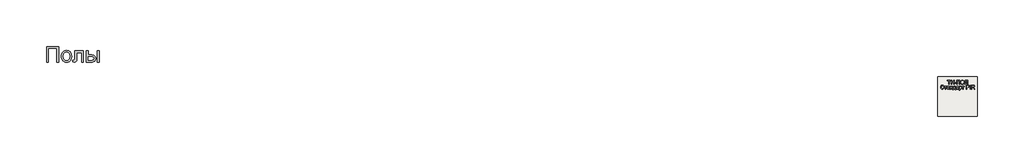
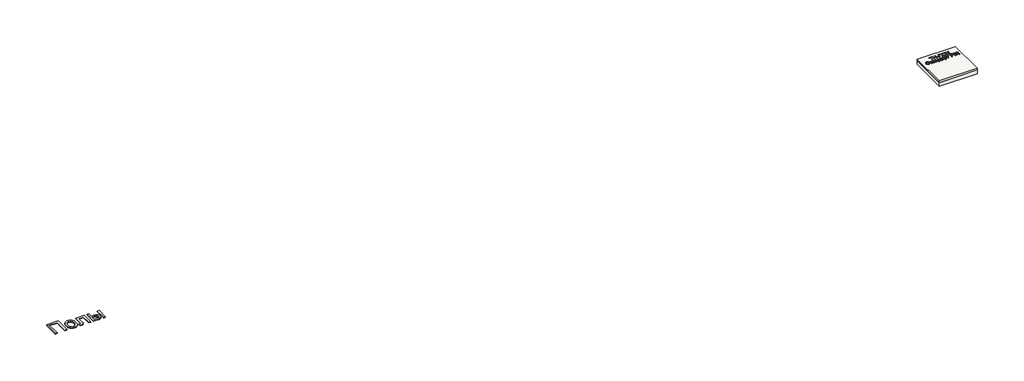
# One storey: 2 proxies, 2 slabs.
"""IFC4 building model written with IfcOpenShell, lengths in millimetres."""

from ifc_helpers import new_model, si_unit, frame, origin, origin_with_axes, place, context, project, spatial, polyline, outline, extrude, element, save

model = new_model("IFC4")

# Units and contexts
model_context = context("Model", 3, world=origin())
ifc_project = project(units=[si_unit("LENGTHUNIT", "METRE", prefix="MILLI")], contexts=[model_context])

# Site, building, storey
site = spatial("IfcSite", under=ifc_project)
building = spatial("IfcBuilding", under=site)
storey = spatial("IfcBuildingStorey", under=building, Elevation=0.0)

# Proxies
placement = place(None, origin())
element("IfcBuildingElementProxy", 1, Name="Generic Models", at=placement, inside=storey, context=model_context, shape_type="SweptSolid", body=[
    extrude(outline(polyline([(-2221.4493901, -14787.7817103), (-1609.328178, -14787.7817103), (-1609.328178, -15571.2968619), (-1707.2675719, -15571.2968619), (-1707.2675719, -14885.7211043), (-2123.5099961, -14885.7211043), (-2123.5099961, -15571.2968619), (-2221.4493901, -15571.2968619), (-2221.4493901, -14787.7817103)])), origin_with_axes(), (0.0, 0.0, 1.0), 40.0),
    extrude(outline(polyline([(-1474.6615113, -15283.5998922), (-1469.3652282, -15209.0813079), (-1462.7448742, -15175.6866287), (-1453.4763787, -15144.8683581), (-1441.5597416, -15116.6264961), (-1426.994963, -15090.9610427), (-1409.7820428, -15067.871998), (-1389.920981, -15047.3593619), (-1352.5959336, -15019.491109), (-1311.3973068, -14999.5852141), (-1266.3251003, -14987.6416772), (-1217.3793143, -14983.6604982), (-1163.3464663, -14988.5084504), (-1114.4903465, -15003.0523069), (-1070.810955, -15027.2920678), (-1032.3082916, -15061.2277331), (-1000.8832798, -15103.7115754), (-978.4368427, -15153.5958675), (-964.9689805, -15210.8806095), (-960.4796931, -15275.5658013), (-962.4643049, -15327.9906355), (-968.4181401, -15374.5094566), (-978.3411988, -15415.1222643), (-992.233481, -15449.8290588), (-1009.921632, -15479.8074561), (-1031.2322973, -15506.2350721), (-1056.1654767, -15529.1119068), (-1084.7211704, -15548.4379603), (-1115.7875175, -15563.7947904), (-1148.2526571, -15574.7639547), (-1182.1165894, -15581.3454532), (-1217.3793143, -15583.5392861), (-1272.2012248, -15578.7092672), (-1321.5116533, -15564.2192103), (-1365.3105998, -15540.0691156), (-1403.5980643, -15506.2589831), (-1434.6883224, -15463.3626763), (-1456.8956496, -15411.9540588), (-1470.2200459, -15352.0331308), (-1474.6615113, -15283.5998922)]), holes=[polyline([(-1376.7221174, -15283.4086043), (-1373.8886657, -15330.9137534), (-1365.3883105, -15372.0466251), (-1351.221052, -15406.8072193), (-1331.3868901, -15435.1955361), (-1307.2607064, -15457.2474419), (-1280.2173825, -15472.9988031), (-1250.2569185, -15482.4496199), (-1217.3793143, -15485.5998922), (-1184.6690871, -15482.4316867), (-1154.828178, -15472.9270702), (-1127.8565871, -15457.0860427), (-1103.7543143, -15434.9086043), (-1083.9201524, -15406.2393335), (-1069.7528939, -15370.9228088), (-1061.2525388, -15328.9590304), (-1058.4190871, -15280.3479982), (-1061.270472, -15234.3492411), (-1069.8246268, -15194.2923638), (-1084.0815515, -15160.1773661), (-1104.0412461, -15132.0042482), (-1128.2331851, -15109.9523424), (-1155.1868427, -15094.2009812), (-1184.9022192, -15084.7501644), (-1217.3793143, -15081.5998922), (-1250.2569185, -15084.7382089), (-1280.2173825, -15094.1531592), (-1307.2607064, -15109.844743), (-1331.3868901, -15131.8129603), (-1351.221052, -15160.1175887), (-1365.3883105, -15194.8184054), (-1373.8886657, -15235.9154106), (-1376.7221174, -15283.4086043)])]), origin_with_axes(), (0.0, 0.0, 1.0), 40.0),
    extrude(outline(polyline([(-801.328178, -14995.9029225), (-360.6009052, -14995.9029225), (-360.6009052, -15570.7229982), (-458.5402992, -15570.7229982), (-458.5402992, -15093.8423164), (-703.388784, -15093.8423164), (-703.388784, -15368.3404225), (-705.038642, -15448.011824), (-709.9882158, -15494.9729982), (-722.350195, -15523.6422691), (-746.2372689, -15548.4379603), (-762.7119374, -15558.4387298), (-782.4863219, -15565.5821365), (-805.5604223, -15569.8681805), (-831.9342386, -15571.2968619), (-911.5099961, -15566.323377), (-911.5099961, -15473.3574679), (-867.7050719, -15473.3574679), (-841.1399677, -15471.8510759), (-823.421928, -15467.3318997), (-812.351142, -15459.5369187), (-805.7277992, -15448.2031119), (-802.4280833, -15420.2989925), (-801.328178, -15362.793074), (-801.328178, -14995.9029225)])), origin_with_axes(), (0.0, 0.0, 1.0), 40.0),
    extrude(outline(polyline([(-213.6918143, -14995.9029225), (-115.7524204, -14995.9029225), (-115.7524204, -15204.0241346), (5.3328069, -15204.0241346), (61.0513793, -15207.0907184), (109.9911876, -15216.2904698), (152.1522316, -15231.6233888), (187.5345114, -15253.0894755), (215.5282969, -15279.9474892), (235.523858, -15311.4561895), (247.5211947, -15347.6155763), (251.5203069, -15388.4256497), (248.1667913, -15424.8361019), (238.1062444, -15458.5087463), (221.3386663, -15489.443583), (197.8640569, -15517.6406119), (167.0248642, -15541.1152212), (128.1635361, -15557.8827994), (81.2800725, -15567.9433462), (26.3744736, -15571.2968619), (-213.6918143, -15571.2968619), (-213.6918143, -14995.9029225)]), holes=[polyline([(-115.7524204, -15473.3574679), (-15.1349961, -15473.3574679), (62.8626364, -15468.2166062), (92.0699044, -15461.790529), (114.7494736, -15452.794021), (131.7382283, -15441.0716606), (143.8730531, -15426.4680266), (151.153948, -15408.983119), (153.5809129, -15388.6169376), (151.7816113, -15372.1542245), (146.3837065, -15356.6240399), (137.3871985, -15342.0263836), (124.7920872, -15328.3612558), (106.0518528, -15316.8122501), (78.6199754, -15308.5629603), (42.4964551, -15303.6133865), (-2.3187083, -15301.9635285), (-115.7524204, -15301.9635285), (-115.7524204, -15473.3574679)])]), origin_with_axes(), (0.0, 0.0, 1.0), 40.0),
    extrude(outline(polyline([(324.9748523, -14995.9029225), (422.9142463, -14995.9029225), (422.9142463, -15571.2968619), (324.9748523, -15571.2968619), (324.9748523, -14995.9029225)])), origin_with_axes(), (0.0, 0.0, 1.0), 40.0),
])
element("IfcBuildingElementProxy", 2, Name="Generic Models", at=placement, inside=storey, context=model_context, shape_type="SweptSolid", body=[
    extrude(outline(polyline([(43256.8186644, -16688.792124), (43256.8186644, -16516.4844317), (43192.2032798, -16516.4844317), (43192.2032798, -16491.8690471), (43346.0494336, -16491.8690471), (43346.0494336, -16516.4844317), (43281.434049, -16516.4844317), (43281.434049, -16688.792124), (43256.8186644, -16688.792124)])), origin_with_axes(), (0.0, 0.0, 1.0), 20.0),
    extrude(outline(polyline([(43373.7417413, -16688.792124), (43373.7417413, -16491.8690471), (43398.3571259, -16491.8690471), (43398.3571259, -16571.8690471), (43502.9725106, -16571.8690471), (43502.9725106, -16491.8690471), (43527.5878952, -16491.8690471), (43527.5878952, -16688.792124), (43502.9725106, -16688.792124), (43502.9725106, -16596.4844317), (43398.3571259, -16596.4844317), (43398.3571259, -16688.792124), (43373.7417413, -16688.792124)])), origin_with_axes(), (0.0, 0.0, 1.0), 20.0),
    extrude(outline(polyline([(43555.2802029, -16630.3305856), (43555.2802029, -16605.7152009), (43632.2032798, -16605.7152009), (43632.2032798, -16630.3305856), (43555.2802029, -16630.3305856)])), origin_with_axes(), (0.0, 0.0, 1.0), 20.0),
    extrude(outline(polyline([(43662.9725106, -16491.8690471), (43816.8186644, -16491.8690471), (43816.8186644, -16688.792124), (43792.2032798, -16688.792124), (43792.2032798, -16516.4844317), (43687.5878952, -16516.4844317), (43687.5878952, -16688.792124), (43662.9725106, -16688.792124), (43662.9725106, -16491.8690471)])), origin_with_axes(), (0.0, 0.0, 1.0), 20.0),
    extrude(outline(polyline([(43850.6648182, -16592.9267394), (43852.3054432, -16569.8287827), (43857.2273182, -16549.3810663), (43865.4304432, -16531.5835904), (43876.9148182, -16516.4363548), (43890.9923423, -16504.3420038), (43906.9749144, -16495.7031817), (43924.8625346, -16490.5198884), (43944.6552029, -16488.792124), (43970.4845298, -16492.0373163), (43993.6455875, -16501.7728932), (44012.8763567, -16517.3137586), (44026.9148182, -16537.9748163), (44035.496549, -16562.7584702), (44038.3571259, -16590.667124), (44035.3463086, -16618.948374), (44026.3138567, -16644.0805856), (44011.7585682, -16664.7777009), (43992.1792413, -16679.7536625), (43969.2165009, -16688.8402009), (43944.5109721, -16691.8690471), (43918.2850106, -16688.5216913), (43894.9917413, -16678.479624), (43875.809049, -16662.6502971), (43861.9148182, -16641.9411625), (43853.4773182, -16618.1130375), (43850.6648182, -16592.9267394)]), holes=[polyline([(43875.2802029, -16593.167124), (43880.2020779, -16623.9724125), (43894.9677029, -16647.4459702), (43917.1612125, -16662.3017394), (43944.3667413, -16667.2536625), (43971.9689048, -16662.2536625), (43994.1984721, -16647.2536625), (44002.7486524, -16636.2049846), (44008.855924, -16623.0589509), (44013.7417413, -16590.4748163), (44011.6503952, -16568.6839509), (44005.3763567, -16549.8498163), (43995.0818856, -16534.4471721), (43980.9292413, -16522.9507779), (43963.855924, -16515.7933259), (43944.7994336, -16513.4075086), (43918.3210682, -16518.0048644), (43895.809049, -16531.7969317), (43886.8276788, -16542.5286024), (43880.4124144, -16556.3341913), (43875.2802029, -16593.167124)])]), origin_with_axes(), (0.0, 0.0, 1.0), 20.0),
    extrude(outline(polyline([(44087.5878952, -16491.8690471), (44207.5878952, -16491.8690471), (44207.5878952, -16688.792124), (44182.9725106, -16688.792124), (44182.9725106, -16516.4844317), (44112.2032798, -16516.4844317), (44112.2032798, -16616.9652009), (44109.3427029, -16661.7969317), (44104.9136163, -16674.4652009), (44097.3475106, -16683.9603932), (44086.9869336, -16689.8918836), (44074.1744336, -16691.8690471), (44053.7417413, -16688.792124), (44056.8186644, -16664.1767394), (44068.5975106, -16667.2536625), (44076.9208279, -16665.6010182), (44082.8523182, -16660.6430856), (44086.4040009, -16649.5553452), (44087.5878952, -16629.5132779), (44087.5878952, -16491.8690471)])), origin_with_axes(), (0.0, 0.0, 1.0), 20.0),
    extrude(outline(polyline([(42995.2802029, -16861.8690471), (43019.8955875, -16868.2152009), (43008.5374144, -16896.8990952), (42990.7128952, -16917.854624), (42967.2994336, -16930.6731336), (42939.1744336, -16934.9459702), (42910.6227509, -16931.7127971), (42887.9484721, -16922.0132779), (42870.5686644, -16906.1839509), (42857.9003952, -16884.5613548), (42850.1660202, -16859.1406817), (42847.5878952, -16831.917124), (42850.5025586, -16803.2031817), (42859.246549, -16778.4075086), (42873.3631356, -16758.3173644), (42892.3955875, -16743.7200086), (42914.9677029, -16734.8317875), (42939.7032798, -16731.8690471), (42966.6924625, -16735.7031817), (42989.0061644, -16747.2055856), (43005.9472702, -16765.667124), (43016.8186644, -16790.3786625), (42992.2032798, -16796.2440471), (42983.6696259, -16778.2933259), (42972.0109721, -16765.979624), (42957.0830875, -16758.8582298), (42938.7417413, -16756.4844317), (42917.5999144, -16759.1166432), (42900.2321259, -16767.0132779), (42887.0530394, -16779.3450086), (42878.4773182, -16795.2825086), (42873.7717894, -16813.2993356), (42872.2032798, -16831.8690471), (42874.0602509, -16854.6094317), (42879.6311644, -16874.2728932), (42889.1263567, -16890.1082298), (42902.7561644, -16901.3642394), (42919.0963086, -16908.088999), (42936.7225106, -16910.3305856), (42957.2693856, -16907.2777009), (42974.3907798, -16898.1190471), (42987.3174625, -16882.9507779), (42995.2802029, -16861.8690471)])), origin_with_axes(), (0.0, 0.0, 1.0), 20.0),
    extrude(outline(polyline([(43038.3571259, -16787.2536625), (43155.2802029, -16787.2536625), (43155.2802029, -16811.8690471), (43109.1263567, -16811.8690471), (43109.1263567, -16931.8690471), (43084.5109721, -16931.8690471), (43084.5109721, -16811.8690471), (43038.3571259, -16811.8690471), (43038.3571259, -16787.2536625)])), origin_with_axes(), (0.0, 0.0, 1.0), 20.0),
    extrude(outline(polyline([(43269.1263567, -16913.4075086), (43245.2561644, -16930.0902009), (43218.8859721, -16934.9459702), (43198.3150586, -16932.0252971), (43183.1407798, -16923.2632779), (43173.7838086, -16909.9579894), (43170.6648182, -16893.4075086), (43175.3763567, -16873.9363548), (43187.7561644, -16859.8017394), (43204.9917413, -16851.7248163), (43226.2898182, -16848.0228932), (43268.9821259, -16839.5613548), (43269.1263567, -16834.0805856), (43267.4316452, -16823.0950086), (43262.3475106, -16815.9075086), (43250.9773182, -16810.5709702), (43235.1359721, -16808.792124), (43210.2321259, -16813.5277009), (43203.2489529, -16820.0962106), (43198.3571259, -16830.3305856), (43173.7417413, -16827.2536625), (43184.3907798, -16803.2152009), (43193.465299, -16795.1262586), (43205.8330875, -16789.1286625), (43238.309049, -16784.1767394), (43268.1407798, -16788.5517394), (43284.9917413, -16799.5373163), (43292.5398182, -16816.2440471), (43293.7417413, -16837.7825086), (43293.7417413, -16868.4075086), (43294.9917413, -16911.1719317), (43299.8955875, -16931.8690471), (43275.2802029, -16931.8690471), (43269.1263567, -16913.4075086)]), holes=[polyline([(43269.1263567, -16864.1767394), (43229.4148182, -16871.7248163), (43208.2369336, -16875.7152009), (43198.6455875, -16882.2055856), (43195.2802029, -16891.6767394), (43197.1131356, -16898.9964509), (43202.6119336, -16904.9940471), (43211.6564048, -16908.9964509), (43224.1263567, -16910.3305856), (43237.3475106, -16908.8582298), (43249.0302029, -16904.4411625), (43265.0878952, -16890.1863548), (43268.9821259, -16871.1478932), (43269.1263567, -16864.1767394)])]), origin_with_axes(), (0.0, 0.0, 1.0), 20.0),
    extrude(outline(polyline([(43327.5878952, -16787.2536625), (43352.2032798, -16787.2536625), (43352.2032798, -16842.6382779), (43416.8186644, -16842.6382779), (43416.8186644, -16787.2536625), (43441.434049, -16787.2536625), (43441.434049, -16931.8690471), (43416.8186644, -16931.8690471), (43416.8186644, -16867.2536625), (43352.2032798, -16867.2536625), (43352.2032798, -16931.8690471), (43327.5878952, -16931.8690471), (43327.5878952, -16787.2536625)])), origin_with_axes(), (0.0, 0.0, 1.0), 20.0),
    extrude(outline(polyline([(43499.8955875, -16787.2536625), (43592.2032798, -16787.2536625), (43592.2032798, -16907.2536625), (43610.6648182, -16907.2536625), (43610.6648182, -16971.8690471), (43586.0494336, -16971.8690471), (43586.0494336, -16931.8690471), (43484.5109721, -16931.8690471), (43484.5109721, -16971.8690471), (43459.8955875, -16971.8690471), (43459.8955875, -16907.2536625), (43475.2802029, -16907.2536625), (43486.4640971, -16887.0433259), (43494.2946259, -16860.3065471), (43498.7717894, -16827.0433259), (43499.8955875, -16787.2536625)]), holes=[polyline([(43521.434049, -16811.8690471), (43515.6648182, -16867.9507779), (43502.9725106, -16907.2536625), (43567.5878952, -16907.2536625), (43567.5878952, -16811.8690471), (43521.434049, -16811.8690471)])]), origin_with_axes(), (0.0, 0.0, 1.0), 20.0),
    extrude(outline(polyline([(43730.6648182, -16913.4075086), (43706.7946259, -16930.0902009), (43680.4244336, -16934.9459702), (43659.8535202, -16932.0252971), (43644.6792413, -16923.2632779), (43635.3222702, -16909.9579894), (43632.2032798, -16893.4075086), (43636.9148182, -16873.9363548), (43649.2946259, -16859.8017394), (43666.5302029, -16851.7248163), (43687.8282798, -16848.0228932), (43730.5205875, -16839.5613548), (43730.6648182, -16834.0805856), (43728.9701067, -16823.0950086), (43723.8859721, -16815.9075086), (43712.5157798, -16810.5709702), (43696.6744336, -16808.792124), (43671.7705875, -16813.5277009), (43664.7874144, -16820.0962106), (43659.8955875, -16830.3305856), (43635.2802029, -16827.2536625), (43645.9292413, -16803.2152009), (43655.0037606, -16795.1262586), (43667.371549, -16789.1286625), (43699.8475106, -16784.1767394), (43729.6792413, -16788.5517394), (43746.5302029, -16799.5373163), (43754.0782798, -16816.2440471), (43755.2802029, -16837.7825086), (43755.2802029, -16868.4075086), (43756.5302029, -16911.1719317), (43761.434049, -16931.8690471), (43736.8186644, -16931.8690471), (43730.6648182, -16913.4075086)]), holes=[polyline([(43730.6648182, -16864.1767394), (43690.9532798, -16871.7248163), (43669.7753952, -16875.7152009), (43660.184049, -16882.2055856), (43656.8186644, -16891.6767394), (43658.6515971, -16898.9964509), (43664.1503952, -16904.9940471), (43673.1948663, -16908.9964509), (43685.6648182, -16910.3305856), (43698.8859721, -16908.8582298), (43710.5686644, -16904.4411625), (43726.6263567, -16890.1863548), (43730.5205875, -16871.1478932), (43730.6648182, -16864.1767394)])]), origin_with_axes(), (0.0, 0.0, 1.0), 20.0),
    extrude(outline(polyline([(43789.1263567, -16987.2536625), (43789.1263567, -16787.2536625), (43813.7417413, -16787.2536625), (43813.7417413, -16811.3882779), (43830.7609721, -16790.979624), (43841.2417413, -16785.8774606), (43853.7417413, -16784.1767394), (43870.3883759, -16786.5565471), (43884.9436644, -16793.6959702), (43896.7946259, -16805.1623163), (43905.3282798, -16820.5228932), (43910.4845298, -16838.6599125), (43912.2032798, -16858.4555856), (43910.262174, -16879.5072682), (43904.4388567, -16898.3353932), (43894.9196259, -16913.9844317), (43881.8907798, -16925.4988548), (43866.7165009, -16932.5841913), (43850.7609721, -16934.9459702), (43839.4448663, -16933.3654413), (43829.3427029, -16928.6238548), (43813.7417413, -16912.6382779), (43813.7417413, -16987.2536625), (43789.1263567, -16987.2536625)]), holes=[polyline([(43813.7417413, -16860.7152009), (43816.4040009, -16882.7825086), (43824.3907798, -16898.2152009), (43836.1756356, -16907.3017394), (43850.2321259, -16910.3305856), (43864.5169817, -16907.1935663), (43876.6023182, -16897.7825086), (43884.8415009, -16881.7849125), (43887.5878952, -16858.8882779), (43884.9076067, -16836.9411625), (43876.8667413, -16821.292124), (43865.0999144, -16811.917124), (43851.2417413, -16808.792124), (43837.3294817, -16812.1154413), (43825.1119336, -16822.0853932), (43816.5842894, -16838.3894798), (43813.7417413, -16860.7152009)])]), origin_with_axes(), (0.0, 0.0, 1.0), 20.0),
    extrude(outline(polyline([(43927.5878952, -16787.2536625), (44044.5109721, -16787.2536625), (44044.5109721, -16811.8690471), (43998.3571259, -16811.8690471), (43998.3571259, -16931.8690471), (43973.7417413, -16931.8690471), (43973.7417413, -16811.8690471), (43927.5878952, -16811.8690471), (43927.5878952, -16787.2536625)])), origin_with_axes(), (0.0, 0.0, 1.0), 20.0),
    extrude(outline(polyline([(44146.0494336, -16931.8690471), (44146.0494336, -16734.9459702), (44219.0302029, -16734.9459702), (44248.4532798, -16736.8209702), (44272.371549, -16746.0277009), (44281.0674625, -16754.1887586), (44287.8763567, -16765.0661625), (44293.7417413, -16791.917124), (44289.7814048, -16815.1262586), (44277.9003952, -16834.4652009), (44268.3856716, -16842.0793836), (44255.6828471, -16847.5180856), (44220.7128952, -16851.8690471), (44170.6648182, -16851.8690471), (44170.6648182, -16931.8690471), (44146.0494336, -16931.8690471)]), holes=[polyline([(44170.6648182, -16827.2536625), (44222.1552029, -16827.2536625), (44243.9821259, -16824.9940471), (44258.4052029, -16818.2152009), (44266.4460682, -16807.3377971), (44269.1263567, -16792.7825086), (44267.5458279, -16781.7248163), (44262.8042413, -16772.3978932), (44255.4905394, -16765.3786625), (44246.1936644, -16761.2440471), (44221.5782798, -16759.5613548), (44170.6648182, -16759.5613548), (44170.6648182, -16827.2536625)])]), origin_with_axes(), (0.0, 0.0, 1.0), 20.0),
    extrude(outline(polyline([(44330.6648182, -16931.8690471), (44330.6648182, -16734.9459702), (44355.2802029, -16734.9459702), (44355.2802029, -16931.8690471), (44330.6648182, -16931.8690471)])), origin_with_axes(), (0.0, 0.0, 1.0), 20.0),
    extrude(outline(polyline([(44404.5109721, -16931.8690471), (44404.5109721, -16734.9459702), (44489.3667413, -16734.9459702), (44512.1732317, -16736.2740952), (44528.7657798, -16740.2584702), (44540.8931836, -16747.6142394), (44550.3042413, -16759.0565471), (44556.3439048, -16773.245249), (44558.3571259, -16788.8402009), (44555.0217894, -16808.2392394), (44545.0157798, -16824.3209702), (44528.0386163, -16836.1118356), (44503.7898182, -16842.6382779), (44517.7802029, -16853.167124), (44537.7321259, -16878.5036625), (44570.5686644, -16931.8690471), (44541.9628952, -16931.8690471), (44516.3378952, -16891.0517394), (44497.8282798, -16864.0325086), (44484.8234721, -16851.2680856), (44473.1167413, -16846.5805856), (44458.8378952, -16845.7152009), (44429.1263567, -16845.7152009), (44429.1263567, -16931.8690471), (44404.5109721, -16931.8690471)]), holes=[polyline([(44429.1263567, -16821.0998163), (44484.2225106, -16821.0998163), (44512.3234721, -16817.6142394), (44528.2850106, -16806.4603932), (44533.7417413, -16789.7536625), (44531.1395779, -16777.7464509), (44523.3330875, -16768.0709702), (44509.9015971, -16761.6887586), (44490.4244336, -16759.5613548), (44429.1263567, -16759.5613548), (44429.1263567, -16821.0998163)])]), origin_with_axes(), (0.0, 0.0, 1.0), 20.0),
])

# Slabs
element("IfcSlab", 3, at=placement, inside=storey, context=model_context, shape_type="SweptSolid", body=[
    extrude(outline(polyline([(44706.3955952, -16302.6148653), (44706.3955952, -18302.6148653), (42706.3955952, -18302.6148653), (42706.3955952, -16302.6148653), (44706.3955952, -16302.6148653)])), frame((0.0, 0.0, -90.0), z_axis=(0.0, 0.0, 1.0), x_axis=(1.0, 0.0, 0.0)), (0.0, 0.0, 1.0), 90.0),
])
element("IfcSlab", 4, at=placement, inside=storey, context=model_context, shape_type="SweptSolid", body=[
    extrude(outline(polyline([(44706.3955952, -16302.6148653), (44706.3955952, -18302.6148653), (42706.3955952, -18302.6148653), (42706.3955952, -16302.6148653), (44706.3955952, -16302.6148653)])), frame((0.0, 0.0, -290.0), z_axis=(0.0, 0.0, 1.0), x_axis=(1.0, 0.0, 0.0)), (0.0, 0.0, 1.0), 200.0),
])

save(model, "model.ifc")
